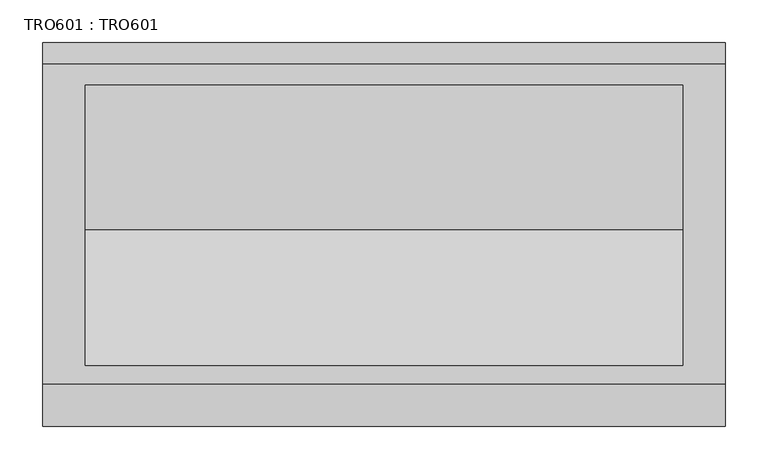
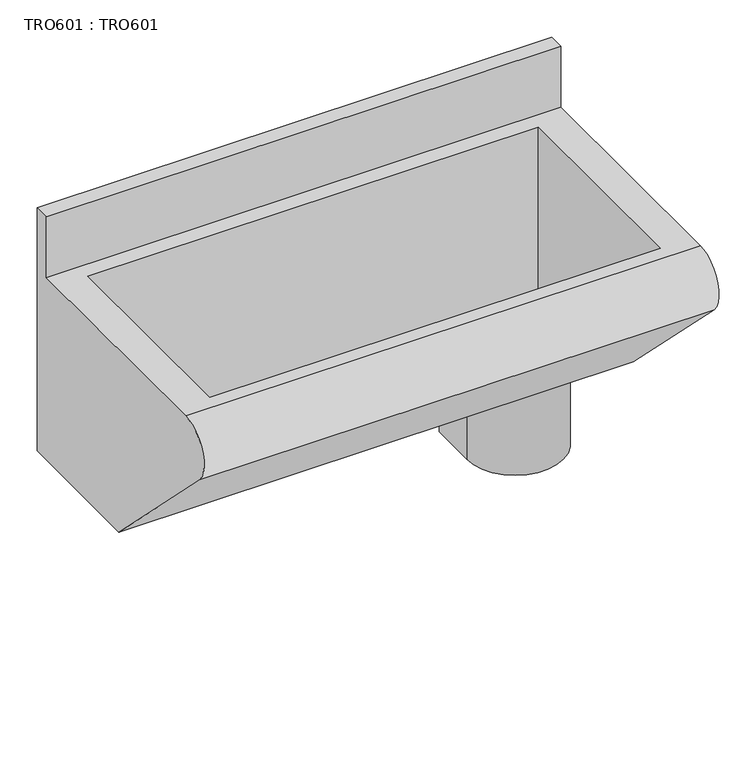
"""IFC4 building model written with IfcOpenShell, lengths in millimetres: proxy geometry, TRO601 : TRO601."""

from ifc_helpers import new_model, si_unit, point, frame, frame_2d, origin, place, context, project, spatial, polyline, circle_curve, trimmed, segment, composite_curve, outline, extrude, source, transform, mapped, element, save
from ifc_brep_helpers import plane_surface, cylinder_surface, advanced_brep


def tro601_tro601_5f114c6b(model_context):
    return source(origin(), model_context, "Body", "SolidModel", [
        extrude(outline(composite_curve([segment(polyline([(775.0000059, 0.0), (775.0000059, -74.7199986)]), True, "CONTINUOUS"), segment(trimmed(circle_curve(frame_2d((700.0000053, -74.7199986)), 75.0000006), [point((775.0000059, -74.7199986))], [point((625.0000048, -74.7199986))], False, "CARTESIAN"), True, "CONTINUOUS"), segment(polyline([(625.0000048, -74.7199986), (625.0000048, 0.0), (775.0000059, 0.0)]), True, "CONTINUOUS")], self_intersect=False)), frame((0.0, 0.0, -487.5000037), z_axis=(0.0, 0.0, 1.0), x_axis=(1.0, 0.0, 0.0)), (0.0, 0.0, 1.0), 187.5000014),
        advanced_brep(
        [(800.0000061, -25.0000002, 0.0), (800.0000061, -400.0000031, 0.0), (800.0000061, -438.3200114, -82.0499972), (800.0000061, -220.3700063, -300.0000023), (800.0000061, 0.0, -300.0000023), (800.0000061, 0.0, 100.0000008), (800.0000061, -25.0000002, 100.0000008), (0.0, -25.0000002, 0.0), (0.0, -25.0000002, 100.0000008), (0.0, 0.0, 100.0000008), (0.0, 0.0, -300.0000023), (0.0, -220.3700063, -300.0000023), (0.0, -438.3200114, -82.0499972), (0.0, -400.0000031, 0.0), (750.0000057, -50.0000004, 0.0), (750.0000057, -378.7200156, 0.0), (50.0000004, -378.7200156, 0.0), (50.0000004, -50.0000004, 0.0), (750.0000057, -50.0000004, -280.0000058), (750.0000057, -219.6200067, -280.0000058), (750.0000057, -378.7200156, -120.8999969), (50.0000004, -378.7200156, -120.8999969), (50.0000004, -219.6200067, -280.0000058), (50.0000004, -50.0000004, -280.0000058)],
        [
            (0, 1),
            (1, 2, circle_curve(frame((800.0000061, -400.0000031, -49.9733416), z_axis=(1.0, 0.0, 0.0), x_axis=(0.0, 1.0, 0.0)), 49.9733416)),
            (2, 3),
            (3, 4),
            (4, 5),
            (5, 6),
            (6, 0),
            (7, 8),
            (8, 9),
            (9, 10),
            (10, 11),
            (11, 12),
            (12, 13, circle_curve(frame((0.0, -400.0000031, -49.9733416), z_axis=(-1.0, 0.0, 0.0), x_axis=(0.0, 1.0, 0.0)), 49.9733416)),
            (13, 7),
            (0, 7),
            (13, 1),
            (14, 15),
            (15, 16),
            (16, 17),
            (17, 14),
            (12, 2),
            (11, 3),
            (10, 4),
            (9, 5),
            (8, 6),
            (14, 18),
            (18, 19),
            (19, 20),
            (20, 15),
            (16, 21),
            (21, 22),
            (22, 23),
            (23, 17),
            (20, 21),
            (19, 22),
            (18, 23),
        ],
        [
            plane_surface(frame((800.0000061, -400.0000031, 0.0), z_axis=(1.0, 0.0, 0.0), x_axis=(0.0, -1.0, 0.0))),
            plane_surface(frame((0.0, -400.0000031, 0.0), z_axis=(-1.0, 0.0, 0.0), x_axis=(0.0, 1.0, 0.0))),
            plane_surface(frame((800.0000061, -25.0000002, 0.0), z_axis=(0.0, 0.0, 1.0), x_axis=(-1.0, 0.0, 0.0))),
            cylinder_surface(frame((0.0, -400.0000031, -49.9733416), z_axis=(1.0, 0.0, 0.0), x_axis=(0.0, 1.0, 0.0)), 49.9733416),
            plane_surface(frame((800.0000061, -438.3200114, -82.0499972), z_axis=(0.0, -0.7071067811865492, -0.7071067811865458), x_axis=(-1.0, 0.0, 0.0))),
            plane_surface(frame((800.0000061, -220.3700063, -300.0000023), z_axis=(0.0, 0.0, -1.0), x_axis=(-1.0, 0.0, 0.0))),
            plane_surface(frame((800.0000061, 0.0, -300.0000023), z_axis=(0.0, 1.0, 0.0), x_axis=(-1.0, 0.0, 0.0))),
            plane_surface(frame((800.0000061, 0.0, 100.0000008), z_axis=(0.0, 0.0, 1.0), x_axis=(-1.0, 0.0, 0.0))),
            plane_surface(frame((800.0000061, -25.0000002, 100.0000008), z_axis=(0.0, -1.0, 0.0), x_axis=(-1.0, 0.0, 0.0))),
            plane_surface(frame((750.0000057, -378.7200156, 0.0), z_axis=(-1.0, 0.0, 0.0), x_axis=(0.0, -1.0, 0.0))),
            plane_surface(frame((50.0000004, -378.7200156, 0.0), z_axis=(1.0, 0.0, 0.0), x_axis=(0.0, 1.0, 0.0))),
            plane_surface(frame((750.0000057, -378.7200156, 0.0), z_axis=(0.0, 1.0, 0.0), x_axis=(-1.0, 0.0, 0.0))),
            plane_surface(frame((750.0000057, -378.7200156, -120.8999969), z_axis=(0.0, 0.7071067811865491, 0.7071067811865459), x_axis=(-1.0, 0.0, 0.0))),
            plane_surface(frame((750.0000057, -219.6200067, -280.0000058), z_axis=(0.0, 0.0, 1.0), x_axis=(-1.0, 0.0, 0.0))),
            plane_surface(frame((750.0000057, -50.0000004, -280.0000058), z_axis=(0.0, -1.0, 0.0), x_axis=(-1.0, 0.0, 0.0))),
        ],
        [
            (0, [[1, 2, 3, 4, 5, 6, 7]]),
            (1, [[8, 9, 10, 11, 12, 13, 14]]),
            (2, [[-1, 15, -14, 16], [17, 18, 19, 20]]),
            (3, [[-2, -16, -13, 21]]),
            (4, [[-3, -21, -12, 22]]),
            (5, [[-4, -22, -11, 23]]),
            (6, [[-5, -23, -10, 24]]),
            (7, [[-6, -24, -9, 25]]),
            (8, [[-7, -25, -8, -15]]),
            (9, [[26, 27, 28, 29, -17]]),
            (10, [[30, 31, 32, 33, -19]]),
            (11, [[-29, 34, -30, -18]]),
            (12, [[-28, 35, -31, -34]]),
            (13, [[-27, 36, -32, -35]]),
            (14, [[-26, -20, -33, -36]]),
        ],
    ),
    ])


if __name__ == "__main__":
    model = new_model("IFC4")
    model_context = context("Model", 3, world=origin())
    ifc_project = project(units=[si_unit("LENGTHUNIT", "METRE", prefix="MILLI")], contexts=[model_context])
    site = spatial("IfcSite", under=ifc_project)
    building = spatial("IfcBuilding", under=site)
    placement = place(None, origin())
    tro601_tro601_shape = tro601_tro601_5f114c6b(model_context)
    element("IfcBuildingElementProxy", 1, Name="TRO601 : TRO601", ObjectType="TRO601 : TRO601", at=placement, inside=building, context=model_context, shape_type="MappedRepresentation", body=[
        mapped(tro601_tro601_shape, transform((0.0, 0.0, 0.0), x_axis=(1.0, 0.0, 0.0), y_axis=(0.0, 1.0, 0.0), z_axis=(0.0, 0.0, 1.0))),
    ])
    save(model, "model.ifc")
